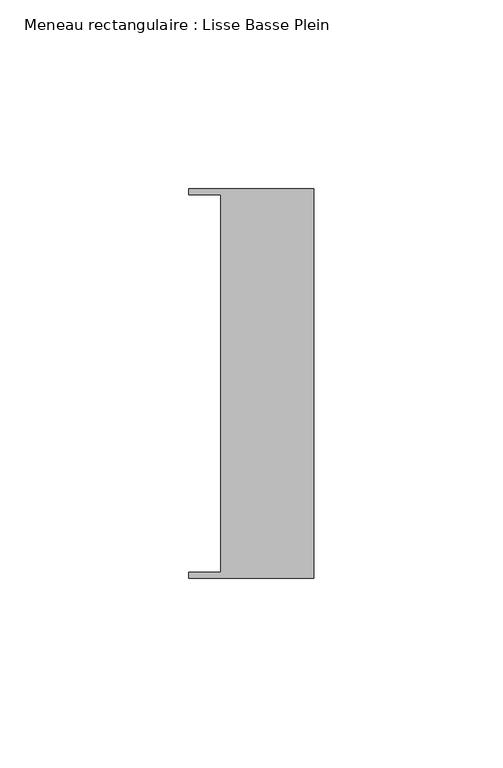
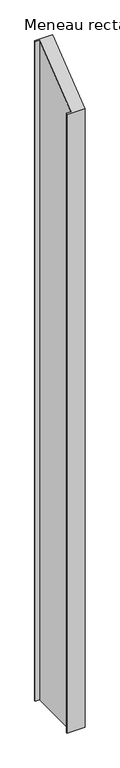
"""IFC4 building model written with IfcOpenShell, lengths in millimetres: member geometry, Meneau rectangulaire : Lisse Basse Plein."""

from ifc_helpers import new_model, si_unit, origin, place, context, project, spatial, faceted_brep, source, transform, mapped, element, save


def meneau_rectangulaire_lisse_basse_plein_a3fdd39a(model_context):
    return source(origin(), model_context, "Body", "Brep", [
        faceted_brep([(0.0, -51.5026203, -1239.8081902), (-33.0710396, -51.5026203, -1239.8081902), (-33.0710396, -49.9505686, -1239.8081902), (-24.7130865, -49.9505686, -1239.8081902), (-24.7130865, 49.9505686, -1239.8081902), (-33.0710396, 49.9505686, -1239.8081902), (-33.0710396, 51.5026203, -1239.8081902), (0.0, 51.5026203, -1239.8081902), (0.0, 51.5026203, 40.1575848), (0.0, -51.5026203, -40.1575848), (-33.0710396, 51.5026203, 40.1575848), (-33.0710396, 49.9505686, 38.9474202), (-24.7130865, 49.9505686, 38.9474202), (-24.7130865, -49.9505686, -38.9474202), (-33.0710396, -49.9505686, -38.9474202), (-33.0710396, -51.5026203, -40.1575848)], [[[0, 1, 2, 3, 4, 5, 6, 7]], [[8, 9, 0, 7]], [[10, 8, 7, 6]], [[11, 10, 6, 5]], [[12, 11, 5, 4]], [[13, 12, 4, 3]], [[14, 13, 3, 2]], [[15, 14, 2, 1]], [[9, 15, 1, 0]], [[9, 8, 10, 11, 12, 13, 14, 15]]]),
    ])


if __name__ == "__main__":
    model = new_model("IFC4")
    model_context = context("Model", 3, world=origin())
    ifc_project = project(units=[si_unit("LENGTHUNIT", "METRE", prefix="MILLI")], contexts=[model_context])
    site = spatial("IfcSite", under=ifc_project)
    building = spatial("IfcBuilding", under=site)
    placement = place(None, origin())
    meneau_rectangulaire_lisse_basse_plein_shape = meneau_rectangulaire_lisse_basse_plein_a3fdd39a(model_context)
    element("IfcMember", 1, ObjectType="Meneau rectangulaire : Lisse Basse Plein", at=placement, inside=building, context=model_context, shape_type="MappedRepresentation", body=[
        mapped(meneau_rectangulaire_lisse_basse_plein_shape, transform((0.0, 0.0, 0.0), x_axis=(1.0, 0.0, 0.0), y_axis=(0.0, 1.0, 0.0), z_axis=(0.0, 0.0, 1.0))),
    ])
    save(model, "model.ifc")
